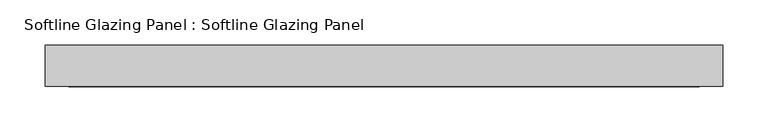
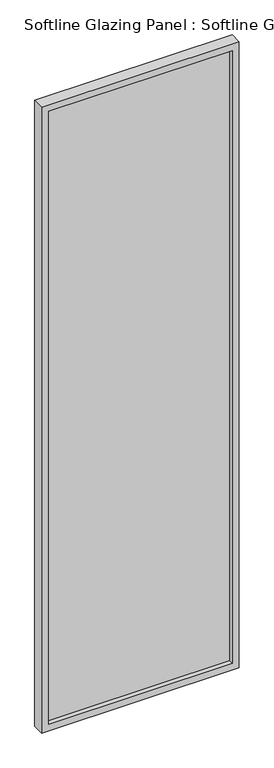
"""IFC4 building model written with IfcOpenShell, lengths in millimetres: plate geometry, Softline Glazing Panel : Softline Glazing Panel."""

import ifcopenshell
import ifcopenshell.guid

model = None  # the IFC model being written
_history = None  # IfcOwnerHistory: only IFC2X3 demands one
_inside = {}  # id of a spatial element -> (the spatial element, [elements in it])
_under = {}  # id of a project, library or spatial element -> (it, [spatial elements below it])
_declared = {}  # id of a project -> (the project, [libraries it declares])
_typed = {}  # id of a type object -> (the type object, [elements of that type])
_made_of = {}  # id of a material, layer set ... -> (it, [elements and type objects made of it])


def new_model(schema):
    """Start an empty IFC model of exactly this schema.

    Asked for "IFC4X3", IfcOpenShell would pick the latest addendum, in which some entities
    have other attributes; the version numbers below select the first issue.
    IFC2X3 requires an IfcOwnerHistory on every rooted entity: one is made here for all.
    """
    global model, _history
    if schema == "IFC4X3":
        model = ifcopenshell.file(schema_version=(4, 3, 0, 0))
    else:
        model = ifcopenshell.file(schema=schema)
    _inside.clear()
    _under.clear()
    _declared.clear()
    _typed.clear()
    _made_of.clear()
    _history = None
    if model.schema == "IFC2X3":
        org = make("IfcOrganization", Name="unknown")
        user = make(
            "IfcPersonAndOrganization",
            ThePerson=make("IfcPerson", FamilyName="unknown"),
            TheOrganization=org,
        )
        app = make(
            "IfcApplication",
            ApplicationDeveloper=org,
            Version="unknown",
            ApplicationFullName="unknown",
            ApplicationIdentifier="unknown",
        )
        _history = make(
            "IfcOwnerHistory",
            OwningUser=user,
            OwningApplication=app,
            ChangeAction="ADDED",
            CreationDate=0,
        )
    return model


def make(cls, **values):
    """One entity of the class cls with the attributes given. An attribute that is None is left unset."""
    return model.create_entity(
        cls, **{name: value for name, value in values.items() if value is not None}
    )


def rooted(cls, **values):
    """An entity with a GlobalId (a new one), such as an element, a storey or a relation."""
    return make(cls, GlobalId=ifcopenshell.guid.new(), OwnerHistory=_history, **values)


def si_unit(unit_type, name, prefix=None):
    """IfcSIUnit, for example si_unit("LENGTHUNIT", "METRE", prefix="MILLI")."""
    return make("IfcSIUnit", UnitType=unit_type, Prefix=prefix, Name=name)


def assignment(units):
    """IfcUnitAssignment: the units of a project."""
    return None if units is None else make("IfcUnitAssignment", Units=units)


def point(xyz):
    """IfcCartesianPoint."""
    return None if xyz is None else make("IfcCartesianPoint", Coordinates=xyz)


def direction(xyz):
    """IfcDirection."""
    return None if xyz is None else make("IfcDirection", DirectionRatios=xyz)


def frame(location, z_axis=None, x_axis=None):
    """IfcAxis2Placement3D, a coordinate frame: its origin and axes. An axis left out is left unset."""
    return make(
        "IfcAxis2Placement3D",
        Location=point(location),
        Axis=direction(z_axis),
        RefDirection=direction(x_axis),
    )


def origin():
    """The frame at (0, 0, 0) with its axes left unset."""
    return frame((0.0, 0.0, 0.0))


def place(relative_to, where):
    """IfcLocalPlacement: puts the frame where relative to a parent placement (None: the world)."""
    return make(
        "IfcLocalPlacement", PlacementRelTo=relative_to, RelativePlacement=where
    )


def context(
    kind, dimensions, precision=None, world=None, true_north=None, identifier=None
):
    """IfcGeometricRepresentationContext, for example the 3D "Model" context."""
    return make(
        "IfcGeometricRepresentationContext",
        ContextIdentifier=identifier,
        ContextType=kind,
        CoordinateSpaceDimension=dimensions,
        Precision=precision,
        WorldCoordinateSystem=world,
        TrueNorth=true_north,
    )


def project(units=None, contexts=None):
    """IfcProject with its units and contexts."""
    return rooted(
        "IfcProject",
        Name="project",
        RepresentationContexts=contexts,
        UnitsInContext=assignment(units),
    )


def spatial(cls, under=None, at=None, **own):
    """A site, building, storey or space (cls), placed at a placement, below another one or the project."""
    s = rooted(cls, ObjectPlacement=at, **own)
    if under is not None:
        _under.setdefault(under.id(), (under, []))[1].append(s)
    return s


def polyline(points):
    """IfcPolyline through the points."""
    return make("IfcPolyline", Points=[point(p) for p in points])


def outline(outer, holes=None, kind="AREA"):
    """IfcArbitraryClosedProfileDef: a profile drawn as a closed curve; with holes, ...WithVoids."""
    if holes is None:
        return make("IfcArbitraryClosedProfileDef", ProfileType=kind, OuterCurve=outer)
    return make(
        "IfcArbitraryProfileDefWithVoids",
        ProfileType=kind,
        OuterCurve=outer,
        InnerCurves=holes,
    )


def extrude(swept, where, along, depth):
    """IfcExtrudedAreaSolid: the profile swept, set in the frame where, extruded along a direction by depth."""
    return make(
        "IfcExtrudedAreaSolid",
        SweptArea=swept,
        Position=where,
        ExtrudedDirection=direction(along),
        Depth=depth,
    )


def faces_of(points, faces, orient=None, outer=None):
    """IfcFace entities. A face is a list of loops; a loop is a list of indices into points, from 0.

    orient and outer hold one flag for each loop. By default every Orientation is true, the
    first loop of a face is its IfcFaceOuterBound and the others are IfcFaceBound.
    """
    made = []
    for i, loops in enumerate(faces):
        bounds = []
        for j, loop in enumerate(loops):
            is_outer = j == 0 if outer is None else outer[i][j]
            bounds.append(
                make(
                    "IfcFaceOuterBound" if is_outer else "IfcFaceBound",
                    Bound=make("IfcPolyLoop", Polygon=[points[k] for k in loop]),
                    Orientation=True if orient is None else orient[i][j],
                )
            )
        made.append(make("IfcFace", Bounds=bounds))
    return made


def faceted_brep(points, faces, orient=None, outer=None, voids=None):
    """IfcFacetedBrep: a solid bounded by flat faces; with voids (closed shells), ...WithVoids."""
    shared = [point(p) for p in points]
    hull = make("IfcClosedShell", CfsFaces=faces_of(shared, faces, orient, outer))
    if voids is None:
        return make("IfcFacetedBrep", Outer=hull)
    return make(
        "IfcFacetedBrepWithVoids",
        Outer=hull,
        Voids=[
            make(cls, CfsFaces=faces_of(shared, fs, o, b)) for cls, fs, o, b in voids
        ],
    )


def shape(context_of_items, identifier, shape_type, items):
    """IfcShapeRepresentation: the items that make up one representation, for example the "Body"."""
    return make(
        "IfcShapeRepresentation",
        ContextOfItems=context_of_items,
        RepresentationIdentifier=identifier,
        RepresentationType=shape_type,
        Items=items,
    )


def source(mapping_origin, context_of_items, identifier, shape_type, items):
    """IfcRepresentationMap: a shape defined once, which mapped items show again and again."""
    return make(
        "IfcRepresentationMap",
        MappingOrigin=mapping_origin,
        MappedRepresentation=shape(context_of_items, identifier, shape_type, items),
    )


def transform(
    local_origin,
    x_axis=None,
    y_axis=None,
    z_axis=None,
    scale=None,
    scale2=None,
    scale3=None,
    uniform=True,
):
    """IfcCartesianTransformationOperator3D, or its non-uniform kind. x_axis, y_axis, z_axis: its Axis1, 2, 3."""
    if uniform:
        return make(
            "IfcCartesianTransformationOperator3D",
            Axis1=direction(x_axis),
            Axis2=direction(y_axis),
            LocalOrigin=point(local_origin),
            Scale=scale,
            Axis3=direction(z_axis),
        )
    return make(
        "IfcCartesianTransformationOperator3DnonUniform",
        Axis1=direction(x_axis),
        Axis2=direction(y_axis),
        LocalOrigin=point(local_origin),
        Scale=scale,
        Axis3=direction(z_axis),
        Scale2=scale2,
        Scale3=scale3,
    )


def mapped(mapping_source, mapping_target):
    """IfcMappedItem: shows the shape of a source again, moved by a transform."""
    return make(
        "IfcMappedItem", MappingSource=mapping_source, MappingTarget=mapping_target
    )


def made_of(thing, what):
    """Note that an element or type object is made of a material, layer set ...; save() writes the relation."""
    if what is not None:
        _made_of.setdefault(what.id(), (what, []))[1].append(thing)
    return thing


def element(
    cls,
    number,
    at=None,
    inside=None,
    cuts=None,
    type_object=None,
    material=None,
    context=None,
    identifier="Body",
    shape_type=None,
    held_by="IfcProductDefinitionShape",
    body=None,
    shapes=None,
    **own,
):
    """One element of the class cls, such as IfcWall. Its Tag is "e" and its number.

    at: its placement. inside: the storey or other place that contains it. cuts: it is an
    opening in that element (IfcRelVoidsElement). A single representation is given by context,
    identifier, shape_type and body (its items); several are given by shapes. held_by: the class
    of the entity that holds the representations. save() writes the other relations.
    """
    e = rooted(cls, Tag="e%d" % number, ObjectPlacement=at, **own)
    if body is not None:
        shapes = [shape(context, identifier, shape_type, body)]
    if shapes is not None:
        e.Representation = make(held_by, Representations=shapes)
    if inside is not None:
        _inside.setdefault(inside.id(), (inside, []))[1].append(e)
    if cuts is not None:
        rooted(
            "IfcRelVoidsElement", RelatingBuildingElement=cuts, RelatedOpeningElement=e
        )
    if type_object is not None:
        _typed.setdefault(type_object.id(), (type_object, []))[1].append(e)
    return made_of(e, material)


def aggregate(whole, parts):
    """IfcRelAggregates: a whole, such as a stair, and the parts it consists of."""
    return rooted("IfcRelAggregates", RelatingObject=whole, RelatedObjects=parts)


def save(model, path):
    """Write the relations noted so far, then the file.

    IfcRelAggregates (storeys below a building ...), IfcRelContainedInSpatialStructure (elements
    in a storey), IfcRelDefinesByType, IfcRelAssociatesMaterial and IfcRelDeclares: one each for
    every whole, place, type object, material and project.
    """
    for whole, parts in _under.values():
        aggregate(whole, parts)
    for where, things in _inside.values():
        rooted(
            "IfcRelContainedInSpatialStructure",
            RelatedElements=things,
            RelatingStructure=where,
        )
    for kind, things in _typed.values():
        rooted("IfcRelDefinesByType", RelatedObjects=things, RelatingType=kind)
    for what, things in _made_of.values():
        rooted("IfcRelAssociatesMaterial", RelatedObjects=things, RelatingMaterial=what)
    for by, libraries in _declared.values():
        rooted("IfcRelDeclares", RelatingContext=by, RelatedDefinitions=libraries)
    model.write(path)


def softline_glazing_panel_softline_glazing_panel_9dae615a(model_context):
    return source(origin(), model_context, "Body", "SolidModel", [
        extrude(outline(polyline([(357.5, 4.0), (357.5, -4.0), (-357.5, -4.0), (-357.5, 4.0), (357.5, 4.0)])), frame((0.0, 0.0, 16.0), z_axis=(0.0, 0.0, 1.0), x_axis=(1.0, 0.0, 0.0)), (0.0, 0.0, 1.0), 2468.0),
        faceted_brep([(347.5, 4.0, 26.0), (347.5, 22.5, 26.0), (-347.5, 22.5, 26.0), (-347.5, 4.0, 26.0), (357.5, -4.0, 16.0), (357.5, 4.0, 16.0), (-357.5, 4.0, 16.0), (-357.5, -4.0, 16.0), (347.5, -22.5, 26.0), (347.5, -4.0, 26.0), (-347.5, -4.0, 26.0), (-347.5, -22.5, 26.0), (373.5, 22.5, 0.0), (373.5, -22.5, 0.0), (-373.5, -22.5, 0.0), (-373.5, 22.5, 0.0), (-347.5, 22.5, 2474.0), (-347.5, 4.0, 2474.0), (-357.5, 4.0, 2484.0), (-357.5, -4.0, 2484.0), (-347.5, -4.0, 2474.0), (-347.5, -22.5, 2474.0), (-373.5, -22.5, 2500.0), (-373.5, 22.5, 2500.0), (347.5, 22.5, 2474.0), (347.5, 4.0, 2474.0), (357.5, 4.0, 2484.0), (357.5, -4.0, 2484.0), (347.5, -4.0, 2474.0), (347.5, -22.5, 2474.0), (373.5, -22.5, 2500.0), (373.5, 22.5, 2500.0)], [[[0, 1, 2, 3]], [[4, 5, 6, 7]], [[8, 9, 10, 11]], [[12, 13, 14, 15]], [[3, 2, 16, 17]], [[7, 6, 18, 19]], [[11, 10, 20, 21]], [[15, 14, 22, 23]], [[17, 16, 24, 25]], [[19, 18, 26, 27]], [[21, 20, 28, 29]], [[23, 22, 30, 31]], [[15, 23, 31, 12], [1, 24, 16, 2]], [[25, 24, 1, 0]], [[5, 26, 18, 6], [3, 17, 25, 0]], [[27, 26, 5, 4]], [[7, 19, 27, 4], [9, 28, 20, 10]], [[29, 28, 9, 8]], [[13, 30, 22, 14], [11, 21, 29, 8]], [[31, 30, 13, 12]]]),
    ])


if __name__ == "__main__":
    model = new_model("IFC4")
    model_context = context("Model", 3, world=origin())
    ifc_project = project(units=[si_unit("LENGTHUNIT", "METRE", prefix="MILLI")], contexts=[model_context])
    site = spatial("IfcSite", under=ifc_project)
    building = spatial("IfcBuilding", under=site)
    placement = place(None, origin())
    softline_glazing_panel_softline_glazing_panel_shape = softline_glazing_panel_softline_glazing_panel_9dae615a(model_context)
    element("IfcPlate", 1, ObjectType="Softline Glazing Panel : Softline Glazing Panel", at=placement, inside=building, context=model_context, shape_type="MappedRepresentation", body=[
        mapped(softline_glazing_panel_softline_glazing_panel_shape, transform((0.0, 0.0, 0.0), x_axis=(1.0, 0.0, 0.0), y_axis=(0.0, 1.0, 0.0), z_axis=(0.0, 0.0, 1.0))),
    ])
    save(model, "model.ifc")
